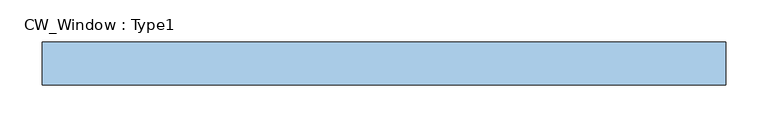
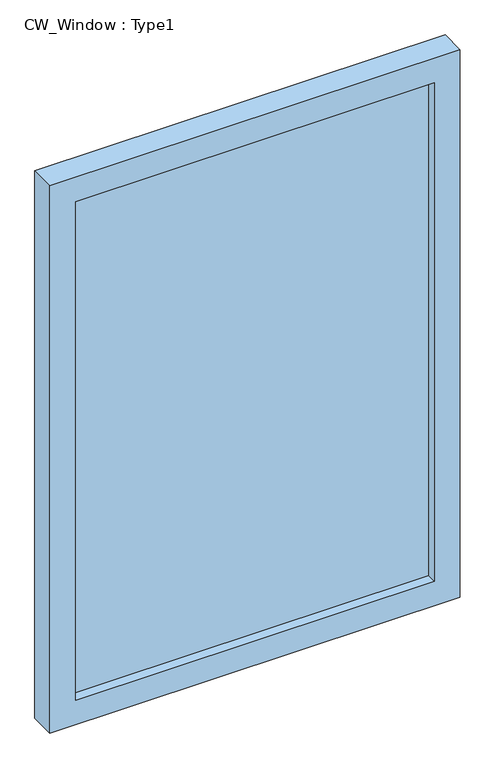
"""IFC4 building model written with IfcOpenShell, lengths in millimetres: window geometry, CW_Window : Type1."""

from ifc_helpers import new_model, si_unit, frame, origin, place, context, project, spatial, polyline, outline, extrude, source, transform, mapped, element, save


def cw_window_type1_29455436(model_context):
    return source(origin(), model_context, "Body", "SweptSolid", [
        extrude(outline(polyline([(1140.8833333, -404.8125), (0.0, -404.8125), (0.0, 404.8125), (1140.8833333, 404.8125), (1140.8833333, -404.8125)]), holes=[polyline([(1090.0833333, -354.0125), (1090.0833333, 354.0125), (50.8, 354.0125), (50.8, -354.0125), (1090.0833333, -354.0125)])]), frame((0.0, -50.8, 0.0), z_axis=(0.0, 1.0, 0.0), x_axis=(0.0, 0.0, 1.0)), (0.0, 0.0, 1.0), 50.8),
        extrude(outline(polyline([(354.0125, -31.75), (-354.0125, -31.75), (-354.0125, -19.05), (354.0125, -19.05), (354.0125, -31.75)])), frame((0.0, 0.0, 50.8), z_axis=(0.0, 0.0, 1.0), x_axis=(1.0, 0.0, 0.0)), (0.0, 0.0, 1.0), 1039.2833333),
    ])


if __name__ == "__main__":
    model = new_model("IFC4")
    model_context = context("Model", 3, world=origin())
    ifc_project = project(units=[si_unit("LENGTHUNIT", "METRE", prefix="MILLI")], contexts=[model_context])
    site = spatial("IfcSite", under=ifc_project)
    building = spatial("IfcBuilding", under=site)
    placement = place(None, origin())
    cw_window_type1_shape = cw_window_type1_29455436(model_context)
    element("IfcWindow", 1, ObjectType="CW_Window : Type1", at=placement, inside=building, context=model_context, shape_type="MappedRepresentation", body=[
        mapped(cw_window_type1_shape, transform((0.0, 0.0, 0.0), x_axis=(1.0, 0.0, 0.0), y_axis=(0.0, 1.0, 0.0), z_axis=(0.0, 0.0, 1.0))),
    ])
    save(model, "model.ifc")
